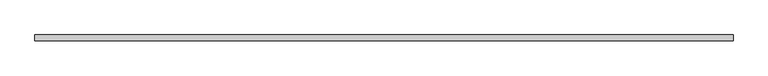
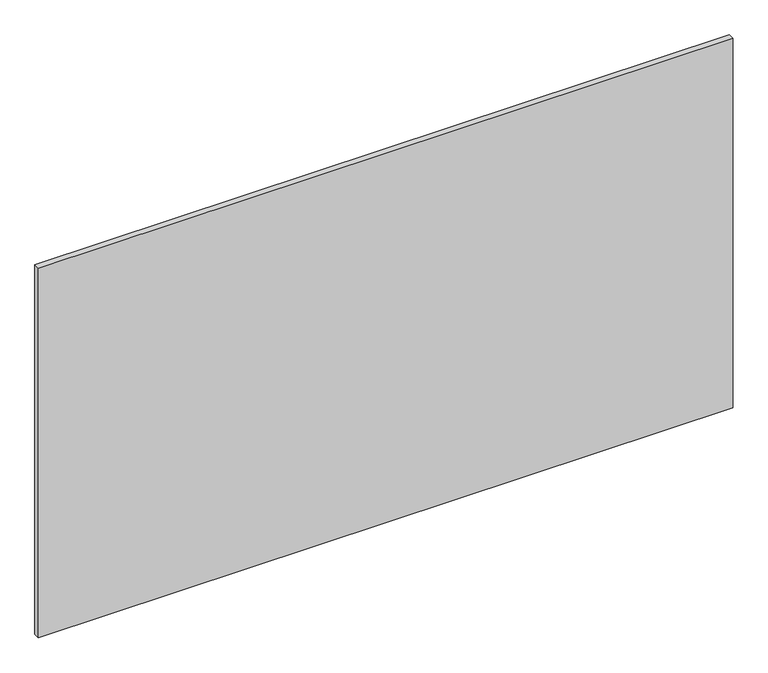
"""IFC4 building model written with IfcOpenShell, lengths in millimetres: plate geometry."""

from ifc_helpers import new_model, si_unit, origin, origin_with_axes, place, context, project, spatial, polyline, outline, extrude, source, transform, mapped, element, save


def plate_7c9364c8(model_context):
    return source(origin(), model_context, "Body", "SweptSolid", [
        extrude(outline(polyline([(616.6, 5.2), (616.6, -5.2), (-616.6, -5.2), (-616.6, 5.2), (616.6, 5.2)])), origin_with_axes(), (0.0, 0.0, 1.0), 693.2),
    ])


if __name__ == "__main__":
    model = new_model("IFC4")
    model_context = context("Model", 3, world=origin())
    ifc_project = project(units=[si_unit("LENGTHUNIT", "METRE", prefix="MILLI")], contexts=[model_context])
    site = spatial("IfcSite", under=ifc_project)
    building = spatial("IfcBuilding", under=site)
    placement = place(None, origin())
    plate_shape = plate_7c9364c8(model_context)
    element("IfcPlate", 1, at=placement, inside=building, context=model_context, shape_type="MappedRepresentation", body=[
        mapped(plate_shape, transform((0.0, 0.0, 0.0), x_axis=(1.0, 0.0, 0.0), y_axis=(0.0, 1.0, 0.0), z_axis=(0.0, 0.0, 1.0))),
    ])
    save(model, "model.ifc")
